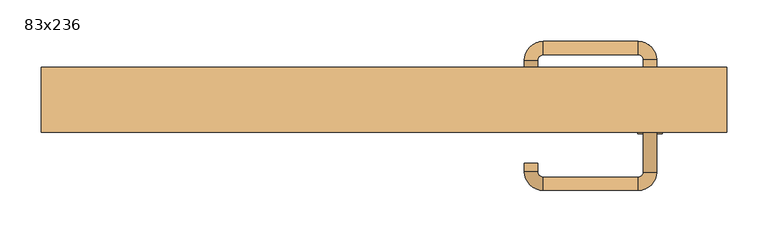
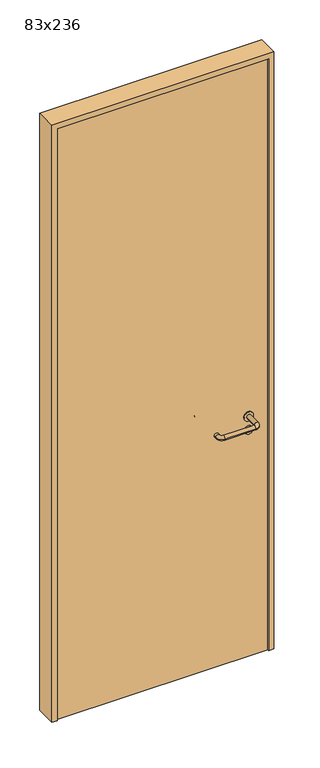
"""IFC4 building model written with IfcOpenShell, lengths in millimetres: door geometry, 83x236."""

import ifcopenshell
import ifcopenshell.guid

model = None  # the IFC model being written
_history = None  # IfcOwnerHistory: only IFC2X3 demands one
_inside = {}  # id of a spatial element -> (the spatial element, [elements in it])
_under = {}  # id of a project, library or spatial element -> (it, [spatial elements below it])
_declared = {}  # id of a project -> (the project, [libraries it declares])
_typed = {}  # id of a type object -> (the type object, [elements of that type])
_made_of = {}  # id of a material, layer set ... -> (it, [elements and type objects made of it])


def new_model(schema):
    """Start an empty IFC model of exactly this schema.

    Asked for "IFC4X3", IfcOpenShell would pick the latest addendum, in which some entities
    have other attributes; the version numbers below select the first issue.
    IFC2X3 requires an IfcOwnerHistory on every rooted entity: one is made here for all.
    """
    global model, _history
    if schema == "IFC4X3":
        model = ifcopenshell.file(schema_version=(4, 3, 0, 0))
    else:
        model = ifcopenshell.file(schema=schema)
    _inside.clear()
    _under.clear()
    _declared.clear()
    _typed.clear()
    _made_of.clear()
    _history = None
    if model.schema == "IFC2X3":
        org = make("IfcOrganization", Name="unknown")
        user = make(
            "IfcPersonAndOrganization",
            ThePerson=make("IfcPerson", FamilyName="unknown"),
            TheOrganization=org,
        )
        app = make(
            "IfcApplication",
            ApplicationDeveloper=org,
            Version="unknown",
            ApplicationFullName="unknown",
            ApplicationIdentifier="unknown",
        )
        _history = make(
            "IfcOwnerHistory",
            OwningUser=user,
            OwningApplication=app,
            ChangeAction="ADDED",
            CreationDate=0,
        )
    return model


def make(cls, **values):
    """One entity of the class cls with the attributes given. An attribute that is None is left unset."""
    return model.create_entity(
        cls, **{name: value for name, value in values.items() if value is not None}
    )


def rooted(cls, **values):
    """An entity with a GlobalId (a new one), such as an element, a storey or a relation."""
    return make(cls, GlobalId=ifcopenshell.guid.new(), OwnerHistory=_history, **values)


def si_unit(unit_type, name, prefix=None):
    """IfcSIUnit, for example si_unit("LENGTHUNIT", "METRE", prefix="MILLI")."""
    return make("IfcSIUnit", UnitType=unit_type, Prefix=prefix, Name=name)


def assignment(units):
    """IfcUnitAssignment: the units of a project."""
    return None if units is None else make("IfcUnitAssignment", Units=units)


def point(xyz):
    """IfcCartesianPoint."""
    return None if xyz is None else make("IfcCartesianPoint", Coordinates=xyz)


def direction(xyz):
    """IfcDirection."""
    return None if xyz is None else make("IfcDirection", DirectionRatios=xyz)


def frame(location, z_axis=None, x_axis=None):
    """IfcAxis2Placement3D, a coordinate frame: its origin and axes. An axis left out is left unset."""
    return make(
        "IfcAxis2Placement3D",
        Location=point(location),
        Axis=direction(z_axis),
        RefDirection=direction(x_axis),
    )


def frame_2d(location, x_axis=None):
    """IfcAxis2Placement2D, a coordinate frame in the plane: its origin and x axis."""
    return make(
        "IfcAxis2Placement2D", Location=point(location), RefDirection=direction(x_axis)
    )


def origin():
    """The frame at (0, 0, 0) with its axes left unset."""
    return frame((0.0, 0.0, 0.0))


def origin_with_axes():
    """The frame at (0, 0, 0) with the z axis (0, 0, 1) and the x axis (1, 0, 0) written out."""
    return frame((0.0, 0.0, 0.0), z_axis=(0.0, 0.0, 1.0), x_axis=(1.0, 0.0, 0.0))


def place(relative_to, where):
    """IfcLocalPlacement: puts the frame where relative to a parent placement (None: the world)."""
    return make(
        "IfcLocalPlacement", PlacementRelTo=relative_to, RelativePlacement=where
    )


def context(
    kind, dimensions, precision=None, world=None, true_north=None, identifier=None
):
    """IfcGeometricRepresentationContext, for example the 3D "Model" context."""
    return make(
        "IfcGeometricRepresentationContext",
        ContextIdentifier=identifier,
        ContextType=kind,
        CoordinateSpaceDimension=dimensions,
        Precision=precision,
        WorldCoordinateSystem=world,
        TrueNorth=true_north,
    )


def project(units=None, contexts=None):
    """IfcProject with its units and contexts."""
    return rooted(
        "IfcProject",
        Name="project",
        RepresentationContexts=contexts,
        UnitsInContext=assignment(units),
    )


def spatial(cls, under=None, at=None, **own):
    """A site, building, storey or space (cls), placed at a placement, below another one or the project."""
    s = rooted(cls, ObjectPlacement=at, **own)
    if under is not None:
        _under.setdefault(under.id(), (under, []))[1].append(s)
    return s


def polyline(points):
    """IfcPolyline through the points."""
    return make("IfcPolyline", Points=[point(p) for p in points])


def circle_curve(where, radius):
    """IfcCircle in the frame where."""
    return make("IfcCircle", Position=where, Radius=radius)


def ellipse_curve(where, semi_axis1, semi_axis2):
    """IfcEllipse in the frame where."""
    return make(
        "IfcEllipse", Position=where, SemiAxis1=semi_axis1, SemiAxis2=semi_axis2
    )


def trimmed(basis, trim1, trim2, sense, master):
    """IfcTrimmedCurve: the piece of a basis curve between two trims."""
    return make(
        "IfcTrimmedCurve",
        BasisCurve=basis,
        Trim1=trim1,
        Trim2=trim2,
        SenseAgreement=sense,
        MasterRepresentation=master,
    )


def segment(curve, same_sense, transition):
    """IfcCompositeCurveSegment."""
    return make(
        "IfcCompositeCurveSegment",
        Transition=transition,
        SameSense=same_sense,
        ParentCurve=curve,
    )


def composite_curve(segments, self_intersect=None):
    """IfcCompositeCurve: segments joined end to end."""
    return make("IfcCompositeCurve", Segments=segments, SelfIntersect=self_intersect)


def outline(outer, holes=None, kind="AREA"):
    """IfcArbitraryClosedProfileDef: a profile drawn as a closed curve; with holes, ...WithVoids."""
    if holes is None:
        return make("IfcArbitraryClosedProfileDef", ProfileType=kind, OuterCurve=outer)
    return make(
        "IfcArbitraryProfileDefWithVoids",
        ProfileType=kind,
        OuterCurve=outer,
        InnerCurves=holes,
    )


def extrude(swept, where, along, depth):
    """IfcExtrudedAreaSolid: the profile swept, set in the frame where, extruded along a direction by depth."""
    return make(
        "IfcExtrudedAreaSolid",
        SweptArea=swept,
        Position=where,
        ExtrudedDirection=direction(along),
        Depth=depth,
    )


def shape(context_of_items, identifier, shape_type, items):
    """IfcShapeRepresentation: the items that make up one representation, for example the "Body"."""
    return make(
        "IfcShapeRepresentation",
        ContextOfItems=context_of_items,
        RepresentationIdentifier=identifier,
        RepresentationType=shape_type,
        Items=items,
    )


def source(mapping_origin, context_of_items, identifier, shape_type, items):
    """IfcRepresentationMap: a shape defined once, which mapped items show again and again."""
    return make(
        "IfcRepresentationMap",
        MappingOrigin=mapping_origin,
        MappedRepresentation=shape(context_of_items, identifier, shape_type, items),
    )


def transform(
    local_origin,
    x_axis=None,
    y_axis=None,
    z_axis=None,
    scale=None,
    scale2=None,
    scale3=None,
    uniform=True,
):
    """IfcCartesianTransformationOperator3D, or its non-uniform kind. x_axis, y_axis, z_axis: its Axis1, 2, 3."""
    if uniform:
        return make(
            "IfcCartesianTransformationOperator3D",
            Axis1=direction(x_axis),
            Axis2=direction(y_axis),
            LocalOrigin=point(local_origin),
            Scale=scale,
            Axis3=direction(z_axis),
        )
    return make(
        "IfcCartesianTransformationOperator3DnonUniform",
        Axis1=direction(x_axis),
        Axis2=direction(y_axis),
        LocalOrigin=point(local_origin),
        Scale=scale,
        Axis3=direction(z_axis),
        Scale2=scale2,
        Scale3=scale3,
    )


def mapped(mapping_source, mapping_target):
    """IfcMappedItem: shows the shape of a source again, moved by a transform."""
    return make(
        "IfcMappedItem", MappingSource=mapping_source, MappingTarget=mapping_target
    )


def made_of(thing, what):
    """Note that an element or type object is made of a material, layer set ...; save() writes the relation."""
    if what is not None:
        _made_of.setdefault(what.id(), (what, []))[1].append(thing)
    return thing


def element(
    cls,
    number,
    at=None,
    inside=None,
    cuts=None,
    type_object=None,
    material=None,
    context=None,
    identifier="Body",
    shape_type=None,
    held_by="IfcProductDefinitionShape",
    body=None,
    shapes=None,
    **own,
):
    """One element of the class cls, such as IfcWall. Its Tag is "e" and its number.

    at: its placement. inside: the storey or other place that contains it. cuts: it is an
    opening in that element (IfcRelVoidsElement). A single representation is given by context,
    identifier, shape_type and body (its items); several are given by shapes. held_by: the class
    of the entity that holds the representations. save() writes the other relations.
    """
    e = rooted(cls, Tag="e%d" % number, ObjectPlacement=at, **own)
    if body is not None:
        shapes = [shape(context, identifier, shape_type, body)]
    if shapes is not None:
        e.Representation = make(held_by, Representations=shapes)
    if inside is not None:
        _inside.setdefault(inside.id(), (inside, []))[1].append(e)
    if cuts is not None:
        rooted(
            "IfcRelVoidsElement", RelatingBuildingElement=cuts, RelatedOpeningElement=e
        )
    if type_object is not None:
        _typed.setdefault(type_object.id(), (type_object, []))[1].append(e)
    return made_of(e, material)


def aggregate(whole, parts):
    """IfcRelAggregates: a whole, such as a stair, and the parts it consists of."""
    return rooted("IfcRelAggregates", RelatingObject=whole, RelatedObjects=parts)


def save(model, path):
    """Write the relations noted so far, then the file.

    IfcRelAggregates (storeys below a building ...), IfcRelContainedInSpatialStructure (elements
    in a storey), IfcRelDefinesByType, IfcRelAssociatesMaterial and IfcRelDeclares: one each for
    every whole, place, type object, material and project.
    """
    for whole, parts in _under.values():
        aggregate(whole, parts)
    for where, things in _inside.values():
        rooted(
            "IfcRelContainedInSpatialStructure",
            RelatedElements=things,
            RelatingStructure=where,
        )
    for kind, things in _typed.values():
        rooted("IfcRelDefinesByType", RelatedObjects=things, RelatingType=kind)
    for what, things in _made_of.values():
        rooted("IfcRelAssociatesMaterial", RelatedObjects=things, RelatingMaterial=what)
    for by, libraries in _declared.values():
        rooted("IfcRelDeclares", RelatingContext=by, RelatedDefinitions=libraries)
    model.write(path)


def plane_surface(at):
    """IfcPlane: the flat surface through the origin of the frame at, square to its z axis."""
    return make("IfcPlane", Position=at)


def cylinder_surface(at, radius):
    """IfcCylindricalSurface: all points at the distance radius from the z axis of the frame at."""
    return make("IfcCylindricalSurface", Position=at, Radius=radius)


def revolved_surface(curve, axis_point, axis_direction):
    """IfcSurfaceOfRevolution: the curve turned about the line through axis_point along axis_direction."""
    return make(
        "IfcSurfaceOfRevolution",
        SweptCurve=make("IfcArbitraryOpenProfileDef", ProfileType="CURVE", Curve=curve),
        AxisPosition=make("IfcAxis1Placement", Location=point(axis_point), Axis=direction(axis_direction)),
    )


def advanced_brep(points, edges, surfaces, faces):
    """IfcAdvancedBrep: a solid bounded by faces that lie on surfaces and meet in shared edges.

    An edge is (start, end): straight between two places in points (the first is 0);
    or (start, end, curve); or (start, end, curve, False) where it runs against its curve.
    A face is (place in surfaces, loops), or (place, loops, False) where it looks against
    its surface's normal. A loop lists edges by number (the first is 1), with a minus sign
    where the edge is run from its end to its start. The first loop is the outer one.
    """
    corners = [point(p) for p in points]
    vertices = [make("IfcVertexPoint", VertexGeometry=c) for c in corners]
    made = []
    for start, end, *more in edges:
        made.append(
            make(
                "IfcEdgeCurve",
                EdgeStart=vertices[start],
                EdgeEnd=vertices[end],
                EdgeGeometry=more[0] if more else make("IfcPolyline", Points=[corners[start], corners[end]]),
                SameSense=more[1] if len(more) > 1 else True,
            )
        )
    hull = []
    for where, loops, *sense in faces:
        bounds = []
        for j, loop in enumerate(loops):
            ring = [make("IfcOrientedEdge", EdgeElement=made[abs(k) - 1], Orientation=k > 0) for k in loop]
            bounds.append(
                make(
                    "IfcFaceOuterBound" if j == 0 else "IfcFaceBound",
                    Bound=make("IfcEdgeLoop", EdgeList=ring),
                    Orientation=True,
                )
            )
        hull.append(make("IfcAdvancedFace", Bounds=bounds, FaceSurface=surfaces[where], SameSense=sense[0] if sense else True))
    return make("IfcAdvancedBrep", Outer=make("IfcClosedShell", CfsFaces=hull))


def door_83x236_28806dc8(model_context):
    return source(origin(), model_context, "Body", "SolidModel", [
        extrude(outline(composite_curve([segment(trimmed(circle_curve(frame_2d((897.3605726, 322.0)), 15.0), [point((897.3605726, 337.0))], [point((897.3605726, 307.0))], False, "CARTESIAN"), True, "CONTINUOUS"), segment(trimmed(circle_curve(frame_2d((897.3605726, 322.0)), 15.0), [point((897.3605726, 307.0))], [point((897.3605726, 337.0))], False, "CARTESIAN"), True, "CONTINUOUS")], self_intersect=False), holes=[composite_curve([segment(trimmed(circle_curve(frame_2d((892.5833211, 321.9398032)), 2.0), [point((892.5833211, 323.9398032))], [point((892.5833211, 319.9398032))], True, "CARTESIAN"), True, "CONTINUOUS"), segment(polyline([(892.5833211, 319.9398032), (902.5833211, 319.9398032)]), True, "CONTINUOUS"), segment(trimmed(circle_curve(frame_2d((902.5833211, 321.9398032)), 2.0), [point((902.5833211, 319.9398032))], [point((902.5833211, 323.9398032))], True, "CARTESIAN"), True, "CONTINUOUS"), segment(polyline([(902.5833211, 323.9398032), (892.5833211, 323.9398032)]), True, "CONTINUOUS")], self_intersect=False)]), frame((0.0, -5.0, 0.0), z_axis=(0.0, 1.0, 0.0), x_axis=(0.0, 0.0, 1.0)), (0.0, 0.0, 1.0), 6.35),
        extrude(outline(composite_curve([segment(trimmed(circle_curve(frame_2d((950.0, 322.0)), 17.526), [point((950.0, 339.526))], [point((950.0, 304.474))], False, "CARTESIAN"), True, "CONTINUOUS"), segment(trimmed(circle_curve(frame_2d((950.0, 322.0)), 17.526), [point((950.0, 304.474))], [point((950.0, 339.526))], False, "CARTESIAN"), True, "CONTINUOUS")], self_intersect=False)), frame((0.0, -5.0, 0.0), z_axis=(0.0, 1.0, 0.0), x_axis=(0.0, 0.0, 1.0)), (0.0, 0.0, 1.0), 3.175),
        advanced_brep(
        [(330.0, -5.0, 950.0), (314.0, -5.0, 950.0), (330.0, 48.0, 950.0), (314.0, 48.0, 950.0), (307.8578644, 54.1421356, 950.0), (307.8578644, 70.1421356, 950.0), (192.8578644, 70.1421356, 950.0), (192.8578644, 54.1421356, 950.0), (186.008622, 47.2928932, 950.0), (170.008622, 47.2928932, 950.0), (170.008622, 37.2928932, 950.0), (186.008622, 37.2928932, 950.0)],
        [
            (0, 1, circle_curve(frame((322.0, -5.0, 950.0), z_axis=(0.0, -1.0, 0.0), x_axis=(-1.0, 0.0, 0.0)), 8.0)),
            (1, 0, circle_curve(frame((322.0, -5.0, 950.0), z_axis=(0.0, -1.0, 0.0), x_axis=(-1.0, 0.0, 0.0)), 8.0)),
            (0, 2),
            (2, 3, circle_curve(frame((322.0, 48.0, 950.0), z_axis=(0.0, -1.0, 0.0), x_axis=(-1.0, 0.0, 0.0)), 8.0)),
            (3, 1),
            (3, 2, circle_curve(frame((322.0, 48.0, 950.0), z_axis=(0.0, -1.0, 0.0), x_axis=(-1.0, 0.0, 0.0)), 8.0)),
            (4, 3, circle_curve(frame((307.8578644, 48.0, 950.0), z_axis=(0.0, 0.0, -1.0), x_axis=(1.0, 0.0, 0.0)), 6.1421356)),
            (2, 5, circle_curve(frame((307.8578644, 48.0, 950.0), z_axis=(0.0, 0.0, 1.0), x_axis=(1.0, 0.0, 0.0)), 22.1421356)),
            (5, 4, circle_curve(frame((307.8578644, 62.1421356, 950.0), z_axis=(1.0, 0.0, 0.0), x_axis=(0.0, -1.0, 0.0)), 8.0)),
            (4, 5, circle_curve(frame((307.8578644, 62.1421356, 950.0), z_axis=(1.0, 0.0, 0.0), x_axis=(0.0, -1.0, 0.0)), 8.0)),
            (5, 6),
            (6, 7, circle_curve(frame((192.8578644, 62.1421356, 950.0), z_axis=(1.0, 0.0, 0.0), x_axis=(0.0, -1.0, 0.0)), 8.0)),
            (7, 4),
            (7, 6, circle_curve(frame((192.8578644, 62.1421356, 950.0), z_axis=(1.0, 0.0, 0.0), x_axis=(0.0, -1.0, 0.0)), 8.0)),
            (8, 7, circle_curve(frame((192.8578644, 47.2928932, 950.0), z_axis=(0.0, 0.0, -1.0), x_axis=(0.0, 1.0, 0.0)), 6.8492424)),
            (6, 9, circle_curve(frame((192.8578644, 47.2928932, 950.0), z_axis=(0.0, 0.0, 1.0), x_axis=(0.0, 1.0, 0.0)), 22.8492424)),
            (9, 8, circle_curve(frame((178.008622, 47.2928932, 950.0), z_axis=(0.0, 1.0, 0.0), x_axis=(1.0, 0.0, 0.0)), 8.0)),
            (8, 9, circle_curve(frame((178.008622, 47.2928932, 950.0), z_axis=(0.0, 1.0, 0.0), x_axis=(1.0, 0.0, 0.0)), 8.0)),
            (10, 11, circle_curve(frame((178.008622, 37.2928932, 950.0), z_axis=(0.0, -1.0, 0.0), x_axis=(1.0, 0.0, 0.0)), 8.0)),
            (11, 10, circle_curve(frame((178.008622, 37.2928932, 950.0), z_axis=(0.0, -1.0, 0.0), x_axis=(1.0, 0.0, 0.0)), 8.0)),
            (9, 10),
            (11, 8),
        ],
        [
            plane_surface(frame((322.0, -5.0, 0.0), z_axis=(0.0, -1.0, 0.0), x_axis=(0.0, 0.0, 1.0))),
            cylinder_surface(frame((322.0, -5.0, 950.0), z_axis=(0.0, -1.0, 0.0), x_axis=(-1.0, 0.0, 0.0)), 8.0),
            revolved_surface(trimmed(ellipse_curve(frame((322.0, 48.0, 950.0), z_axis=(0.0, -1.0, 0.0), x_axis=(-1.0, 0.0, 0.0)), 8.0, 8.0), [point((330.0, 48.0, 950.0))], [point((314.0, 48.0, 950.0))], True, "CARTESIAN"), (307.8578644, 48.0, 0.0), (0.0, 0.0, 1.0)),
            revolved_surface(trimmed(ellipse_curve(frame((322.0, 48.0, 950.0), z_axis=(0.0, -1.0, 0.0), x_axis=(-1.0, 0.0, 0.0)), 8.0, 8.0), [point((314.0, 48.0, 950.0))], [point((330.0, 48.0, 950.0))], True, "CARTESIAN"), (307.8578644, 48.0, 0.0), (0.0, 0.0, 1.0)),
            cylinder_surface(frame((307.8578644, 62.1421356, 950.0), z_axis=(1.0, 0.0, 0.0), x_axis=(0.0, -1.0, 0.0)), 8.0),
            revolved_surface(trimmed(ellipse_curve(frame((192.8578644, 62.1421356, 950.0), z_axis=(1.0, 0.0, 0.0), x_axis=(0.0, -1.0, 0.0)), 8.0, 8.0), [point((192.8578644, 70.1421356, 950.0))], [point((192.8578644, 54.1421356, 950.0))], True, "CARTESIAN"), (192.8578644, 47.2928932, 0.0), (0.0, 0.0, 1.0)),
            revolved_surface(trimmed(ellipse_curve(frame((192.8578644, 62.1421356, 950.0), z_axis=(1.0, 0.0, 0.0), x_axis=(0.0, -1.0, 0.0)), 8.0, 8.0), [point((192.8578644, 54.1421356, 950.0))], [point((192.8578644, 70.1421356, 950.0))], True, "CARTESIAN"), (192.8578644, 47.2928932, 0.0), (0.0, 0.0, 1.0)),
            plane_surface(frame((178.008622, 37.2928932, 0.0), z_axis=(0.0, -1.0, 0.0), x_axis=(0.0, 0.0, 1.0))),
            cylinder_surface(frame((178.008622, 47.2928932, 950.0), z_axis=(0.0, 1.0, 0.0), x_axis=(1.0, 0.0, 0.0)), 8.0),
        ],
        [
            (0, [[1, 2]]),
            (1, [[-1, 3, 4, 5]]),
            (1, [[-2, -5, 6, -3]]),
            (2, [[7, -4, 8, 9]]),
            (3, [[-8, -6, -7, 10]]),
            (4, [[-9, 11, 12, 13]]),
            (4, [[-10, -13, 14, -11]]),
            (5, [[15, -12, 16, 17]]),
            (6, [[-16, -14, -15, 18]]),
            (7, [[19, 20]]),
            (8, [[-17, 21, -20, 22]]),
            (8, [[-18, -22, -19, -21]]),
        ],
    ),
        extrude(outline(composite_curve([segment(trimmed(circle_curve(frame_2d((0.0, 15.0)), 15.0), [point((0.0, 30.0))], [point((0.0, 0.0))], False, "CARTESIAN"), True, "CONTINUOUS"), segment(trimmed(circle_curve(frame_2d((0.0, 15.0)), 15.0), [point((0.0, 0.0))], [point((0.0, 30.0))], False, "CARTESIAN"), True, "CONTINUOUS")], self_intersect=False), holes=[composite_curve([segment(trimmed(circle_curve(frame_2d((-4.7772515, 14.9398032)), 2.0), [point((-4.7772515, 16.9398032))], [point((-4.7772515, 12.9398032))], True, "CARTESIAN"), True, "CONTINUOUS"), segment(polyline([(-4.7772515, 12.9398032), (5.2227485, 12.9398032)]), True, "CONTINUOUS"), segment(trimmed(circle_curve(frame_2d((5.2227485, 14.9398032)), 2.0), [point((5.2227485, 12.9398032))], [point((5.2227485, 16.9398032))], True, "CARTESIAN"), True, "CONTINUOUS"), segment(polyline([(5.2227485, 16.9398032), (-4.7772515, 16.9398032)]), True, "CONTINUOUS")], self_intersect=False)]), frame((307.0, -41.35, 897.3605726), z_axis=(-1.8870575173328306e-12, 1.0, 0.0), x_axis=(0.0, 0.0, 1.0)), (0.0, 0.0, 1.0), 6.35),
        extrude(outline(composite_curve([segment(trimmed(circle_curve(frame_2d((0.0, 17.526)), 17.526), [point((0.0, 35.052))], [point((0.0, 0.0))], False, "CARTESIAN"), True, "CONTINUOUS"), segment(trimmed(circle_curve(frame_2d((0.0, 17.526)), 17.526), [point((0.0, 0.0))], [point((0.0, 35.052))], False, "CARTESIAN"), True, "CONTINUOUS")], self_intersect=False)), frame((304.474, -38.175, 950.0), z_axis=(-1.8870575173328306e-12, 1.0, 0.0), x_axis=(0.0, 0.0, 1.0)), (0.0, 0.0, 1.0), 3.175),
        advanced_brep(
        [(330.0, -35.0, 950.0), (314.0, -35.0, 950.0), (314.0, -88.0, 950.0), (330.0, -88.0, 950.0), (307.8578644, -94.1421356, 950.0), (307.8578644, -110.1421356, 950.0), (192.8578644, -94.1421356, 950.0), (192.8578644, -110.1421356, 950.0), (186.008622, -87.2928932, 950.0), (170.008622, -87.2928932, 950.0), (170.008622, -77.2928932, 950.0), (186.008622, -77.2928932, 950.0)],
        [
            (0, 1, circle_curve(frame((322.0, -35.0, 950.0), z_axis=(-1.888672253512351e-12, 1.0, 0.0), x_axis=(-1.0, -1.888672253512351e-12, 0.0)), 8.0)),
            (1, 0, circle_curve(frame((322.0, -35.0, 950.0), z_axis=(-1.888672253512351e-12, 1.0, 0.0), x_axis=(-1.0, -1.888672253512351e-12, 0.0)), 8.0)),
            (1, 2),
            (2, 3, circle_curve(frame((322.0, -88.0, 950.0), z_axis=(-1.888672253512351e-12, 1.0, 0.0), x_axis=(-1.0, -1.888672253512351e-12, 0.0)), 8.0)),
            (3, 0),
            (3, 2, circle_curve(frame((322.0, -88.0, 950.0), z_axis=(-1.888672253512351e-12, 1.0, 0.0), x_axis=(-1.0, -1.888672253512351e-12, 0.0)), 8.0)),
            (4, 5, circle_curve(frame((307.8578644, -102.1421356, 950.0), z_axis=(1.0, 1.913702061528922e-12, 0.0), x_axis=(-1.913702061528922e-12, 1.0, 0.0)), 8.0)),
            (5, 3, circle_curve(frame((307.8578644, -88.0, 950.0), z_axis=(0.0, 0.0, 1.0), x_axis=(1.0, 1.880717803715015e-12, 0.0)), 22.1421356)),
            (2, 4, circle_curve(frame((307.8578644, -88.0, 950.0), z_axis=(0.0, 0.0, -1.0), x_axis=(1.0, 1.880717803715015e-12, 0.0)), 6.1421356)),
            (5, 4, circle_curve(frame((307.8578644, -102.1421356, 950.0), z_axis=(1.0, 1.913702061528922e-12, 0.0), x_axis=(-1.913702061528922e-12, 1.0, 0.0)), 8.0)),
            (4, 6),
            (6, 7, circle_curve(frame((192.8578644, -102.1421356, 950.0), z_axis=(1.0, 1.913719828541269e-12, 0.0), x_axis=(-1.913719828541269e-12, 1.0, 0.0)), 8.0)),
            (7, 5),
            (7, 6, circle_curve(frame((192.8578644, -102.1421356, 950.0), z_axis=(1.0, 1.913719828541269e-12, 0.0), x_axis=(-1.913719828541269e-12, 1.0, 0.0)), 8.0)),
            (8, 9, circle_curve(frame((178.008622, -87.2928932, 950.0), z_axis=(1.8888942981172756e-12, -1.0, 0.0), x_axis=(1.0, 1.8888942981172756e-12, 0.0)), 8.0)),
            (9, 7, circle_curve(frame((192.8578644, -87.2928932, 950.0), z_axis=(0.0, 0.0, 1.0), x_axis=(1.9120873253494017e-12, -1.0, 0.0)), 22.8492424)),
            (6, 8, circle_curve(frame((192.8578644, -87.2928932, 950.0), z_axis=(0.0, 0.0, -1.0), x_axis=(1.9120873253494017e-12, -1.0, 0.0)), 6.8492424)),
            (9, 8, circle_curve(frame((178.008622, -87.2928932, 950.0), z_axis=(1.890448610351751e-12, -1.0, 0.0), x_axis=(1.0, 1.890448610351751e-12, 0.0)), 8.0)),
            (10, 11, circle_curve(frame((178.008622, -77.2928932, 950.0), z_axis=(-1.8903642334018795e-12, 1.0, 0.0), x_axis=(1.0, 1.8903642334018795e-12, 0.0)), 8.0)),
            (11, 10, circle_curve(frame((178.008622, -77.2928932, 950.0), z_axis=(-1.8903642334018795e-12, 1.0, 0.0), x_axis=(1.0, 1.8903642334018795e-12, 0.0)), 8.0)),
            (8, 11),
            (10, 9),
        ],
        [
            plane_surface(frame((322.0, -35.0, 0.0), z_axis=(-1.8870575173328306e-12, 1.0, 0.0), x_axis=(0.0, 0.0, 1.0))),
            cylinder_surface(frame((322.0, -35.0, 950.0), z_axis=(-1.888672253512351e-12, 1.0, 0.0), x_axis=(-1.0, -1.888672253512351e-12, 0.0)), 8.0),
            revolved_surface(trimmed(ellipse_curve(frame((322.0, -88.0, 950.0), z_axis=(1.8823325398945356e-12, -1.0, 0.0), x_axis=(-1.0, -1.8823325398945356e-12, 0.0)), 8.0, 8.0), [point((330.0, -88.0, 950.0))], [point((314.0, -88.0, 950.0))], True, "CARTESIAN"), (307.8578644, -88.0, 0.0), (0.0, 0.0, 1.0)),
            revolved_surface(trimmed(ellipse_curve(frame((322.0, -88.0, 950.0), z_axis=(1.8823325398945356e-12, -1.0, 0.0), x_axis=(-1.0, -1.8823325398945356e-12, 0.0)), 8.0, 8.0), [point((314.0, -88.0, 950.0))], [point((330.0, -88.0, 950.0))], True, "CARTESIAN"), (307.8578644, -88.0, 0.0), (0.0, 0.0, 1.0)),
            cylinder_surface(frame((307.8578644, -102.1421356, 950.0), z_axis=(1.0, 1.913719828541269e-12, 0.0), x_axis=(-1.913719828541269e-12, 1.0, 0.0)), 8.0),
            revolved_surface(trimmed(ellipse_curve(frame((192.8578644, -102.1421356, 950.0), z_axis=(-1.0, -1.913702061528922e-12, 0.0), x_axis=(-1.913702061528922e-12, 1.0, 0.0)), 8.0, 8.0), [point((192.8578644, -110.1421356, 950.0))], [point((192.8578644, -94.1421356, 950.0))], True, "CARTESIAN"), (192.8578644, -87.2928932, 0.0), (0.0, 0.0, 1.0)),
            revolved_surface(trimmed(ellipse_curve(frame((192.8578644, -102.1421356, 950.0), z_axis=(-1.0, -1.913702061528922e-12, 0.0), x_axis=(-1.913702061528922e-12, 1.0, 0.0)), 8.0, 8.0), [point((192.8578644, -94.1421356, 950.0))], [point((192.8578644, -110.1421356, 950.0))], True, "CARTESIAN"), (192.8578644, -87.2928932, 0.0), (0.0, 0.0, 1.0)),
            plane_surface(frame((178.008622, -77.2928932, 0.0), z_axis=(-1.8887494972223595e-12, 1.0, 0.0), x_axis=(0.0, 0.0, 1.0))),
            cylinder_surface(frame((178.008622, -87.2928932, 950.0), z_axis=(1.8903642334018795e-12, -1.0, 0.0), x_axis=(1.0, 1.8903642334018795e-12, 0.0)), 8.0),
        ],
        [
            (0, [[1, 2]]),
            (1, [[3, 4, 5, -2]]),
            (1, [[-5, 6, -3, -1]]),
            (2, [[7, 8, -4, 9]]),
            (3, [[10, -9, -6, -8]]),
            (4, [[11, 12, 13, -7]]),
            (4, [[-13, 14, -11, -10]]),
            (5, [[15, 16, -12, 17]]),
            (6, [[18, -17, -14, -16]]),
            (7, [[19, 20]]),
            (8, [[21, -19, 22, -15]]),
            (8, [[-22, -20, -21, -18]]),
        ],
    ),
        extrude(outline(polyline([(2340.0, 395.0), (0.0, 395.0), (0.0, 415.0), (2360.0, 415.0), (2360.0, -415.0), (0.0, -415.0), (0.0, -395.0), (2340.0, -395.0), (2340.0, 395.0)])), frame((0.0, -40.0, 0.0), z_axis=(0.0, 1.0, 0.0), x_axis=(0.0, 0.0, 1.0)), (0.0, 0.0, 1.0), 79.0),
        extrude(outline(polyline([(-395.0, -35.0), (-395.0, -5.0), (395.0, -5.0), (395.0, -35.0), (-395.0, -35.0)])), origin_with_axes(), (0.0, 0.0, 1.0), 2340.0),
    ])


if __name__ == "__main__":
    model = new_model("IFC4")
    model_context = context("Model", 3, world=origin())
    ifc_project = project(units=[si_unit("LENGTHUNIT", "METRE", prefix="MILLI")], contexts=[model_context])
    site = spatial("IfcSite", under=ifc_project)
    building = spatial("IfcBuilding", under=site)
    placement = place(None, origin())
    door_83x236_shape = door_83x236_28806dc8(model_context)
    element("IfcDoor", 1, ObjectType="83x236", at=placement, inside=building, context=model_context, shape_type="MappedRepresentation", body=[
        mapped(door_83x236_shape, transform((0.0, 0.0, 0.0), x_axis=(1.0, 0.0, 0.0), y_axis=(0.0, 1.0, 0.0), z_axis=(0.0, 0.0, 1.0))),
    ])
    save(model, "model.ifc")
